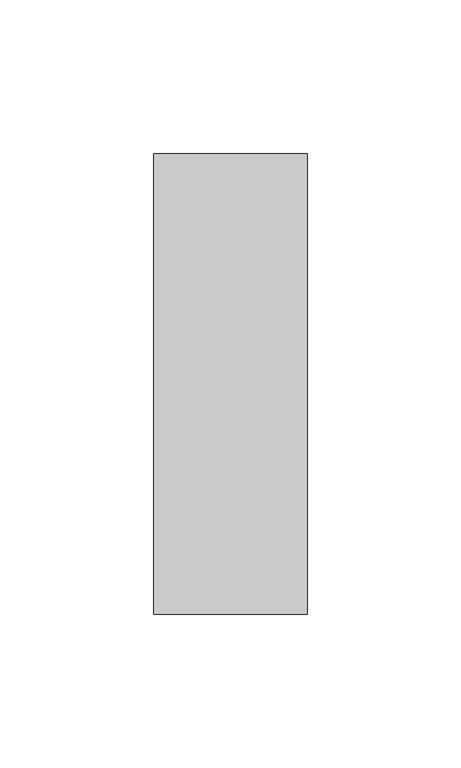
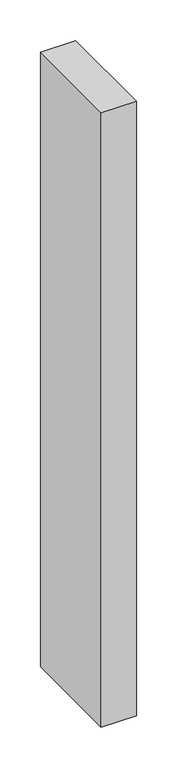
"""IFC4 building model written with IfcOpenShell, lengths in millimetres: member geometry."""

from ifc_helpers import new_model, si_unit, frame, origin, place, context, project, spatial, polyline, outline, extrude, source, transform, mapped, element, save


def member_a91aaa2b(model_context):
    return source(origin(), model_context, "Body", "SweptSolid", [
        extrude(outline(polyline([(0.0, 75.0), (0.0, -75.0), (-50.0, -75.0), (-50.0, 75.0), (0.0, 75.0)])), frame((0.0, 0.0, -925.0), z_axis=(0.0, 0.0, 1.0), x_axis=(1.0, 0.0, 0.0)), (0.0, 0.0, 1.0), 925.0),
    ])


if __name__ == "__main__":
    model = new_model("IFC4")
    model_context = context("Model", 3, world=origin())
    ifc_project = project(units=[si_unit("LENGTHUNIT", "METRE", prefix="MILLI")], contexts=[model_context])
    site = spatial("IfcSite", under=ifc_project)
    building = spatial("IfcBuilding", under=site)
    placement = place(None, origin())
    member_shape = member_a91aaa2b(model_context)
    element("IfcMember", 1, at=placement, inside=building, context=model_context, shape_type="MappedRepresentation", body=[
        mapped(member_shape, transform((0.0, 0.0, 0.0), x_axis=(1.0, 0.0, 0.0), y_axis=(0.0, 1.0, 0.0), z_axis=(0.0, 0.0, 1.0))),
    ])
    save(model, "model.ifc")
